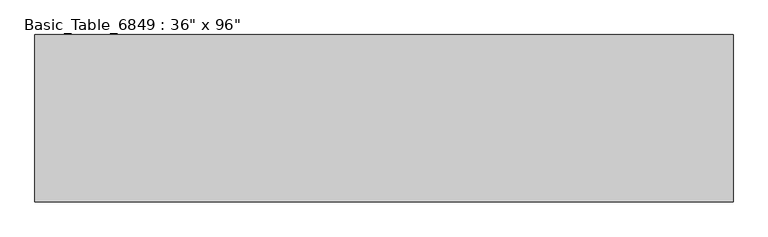
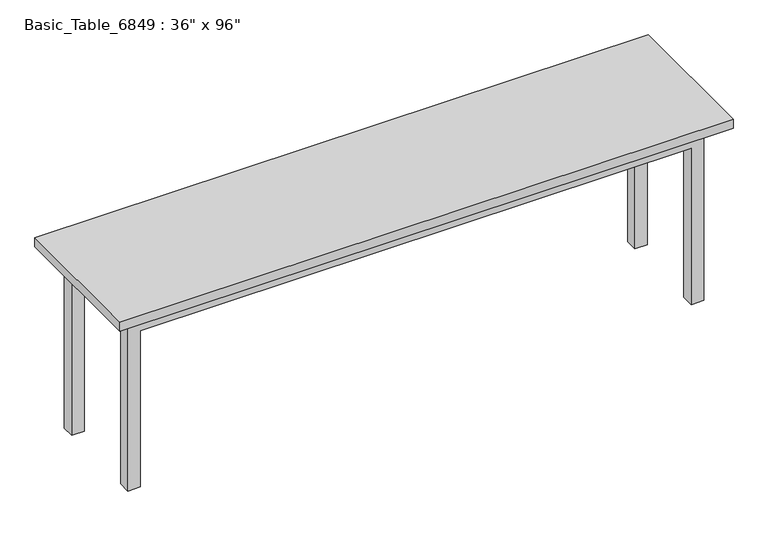
"""IFC4 building model written with IfcOpenShell, lengths in millimetres: proxy geometry."""

from ifc_helpers import new_model, si_unit, frame, origin, place, context, project, spatial, polyline, outline, extrude, faceted_brep, source, transform, mapped, element, save


def proxy_339538d2(model_context):
    return source(origin(), model_context, "Body", "SolidModel", [
        faceted_brep([(1173.8, -223.8, 762.0), (1173.8, 223.8, 762.0), (-1173.8, 223.8, 762.0), (-1173.8, -223.8, 762.0), (1123.0, -173.0, 762.0), (1123.0, -198.4, 762.0), (-1123.0, -198.4, 762.0), (-1123.0, -173.0, 762.0), (-1148.4, -173.0, 762.0), (-1148.4, 173.0, 762.0), (-1123.0, 173.0, 762.0), (-1123.0, 198.4, 762.0), (1123.0, 198.4, 762.0), (1123.0, 173.0, 762.0), (1148.4, 173.0, 762.0), (1148.4, -173.0, 762.0), (1123.0, -173.0, 0.0), (1173.8, -173.0, 0.0), (1173.8, -223.8, 0.0), (1123.0, -223.8, 0.0), (1123.0, -223.8, 673.1), (1123.0, -198.4, 673.1), (-1173.8, -223.8, 0.0), (-1123.0, -223.8, 0.0), (-1123.0, -223.8, 673.1), (1173.8, -173.0, 673.1), (1173.8, 173.0, 673.1), (1173.8, 173.0, 0.0), (1173.8, 223.8, 0.0), (1148.4, -173.0, 673.1), (-1123.0, -198.4, 673.1), (1148.4, 173.0, 673.1), (1123.0, 223.8, 0.0), (1123.0, 173.0, 0.0), (1123.0, 198.4, 673.1), (1123.0, 223.8, 673.1), (-1123.0, 223.8, 673.1), (-1123.0, 223.8, 0.0), (-1173.8, 223.8, 0.0), (-1123.0, 198.4, 673.1), (-1148.4, 173.0, 673.1), (-1148.4, -173.0, 673.1), (-1173.8, 173.0, 0.0), (-1173.8, 173.0, 673.1), (-1173.8, -173.0, 673.1), (-1173.8, -173.0, 0.0), (-1123.0, 173.0, 0.0), (-1123.0, -173.0, 0.0)], [[[0, 1, 2, 3], [4, 5, 6, 7, 8, 9, 10, 11, 12, 13, 14, 15]], [[16, 17, 18, 19]], [[16, 19, 20, 21, 5, 4]], [[19, 18, 0, 3, 22, 23, 24, 20]], [[18, 17, 25, 26, 27, 28, 1, 0]], [[17, 16, 4, 15, 29, 25]], [[5, 21, 30, 6]], [[21, 20, 24, 30]], [[29, 15, 14, 31]], [[25, 29, 31, 26]], [[32, 28, 27, 33]], [[32, 33, 13, 12, 34, 35]], [[33, 27, 26, 31, 14, 13]], [[28, 32, 35, 36, 37, 38, 2, 1]], [[34, 12, 11, 39]], [[35, 34, 39, 36]], [[40, 9, 8, 41]], [[38, 42, 43, 44, 45, 22, 3, 2]], [[43, 40, 41, 44]], [[38, 37, 46, 42]], [[42, 46, 10, 9, 40, 43]], [[46, 37, 36, 39, 11, 10]], [[45, 47, 23, 22]], [[23, 47, 7, 6, 30, 24]], [[47, 45, 44, 41, 8, 7]]]),
        extrude(outline(polyline([(-1250.0, -300.0), (-1250.0, 300.0), (1250.0, 300.0), (1250.0, -300.0), (-1250.0, -300.0)])), frame((0.0, 0.0, 762.0), z_axis=(0.0, 0.0, 1.0), x_axis=(1.0, 0.0, 0.0)), (0.0, 0.0, 1.0), 38.1),
    ])


if __name__ == "__main__":
    model = new_model("IFC4")
    model_context = context("Model", 3, world=origin())
    ifc_project = project(units=[si_unit("LENGTHUNIT", "METRE", prefix="MILLI")], contexts=[model_context])
    site = spatial("IfcSite", under=ifc_project)
    building = spatial("IfcBuilding", under=site)
    placement = place(None, origin())
    proxy_shape = proxy_339538d2(model_context)
    element("IfcBuildingElementProxy", 1, Name="Basic_Table_6849 : 36\" x 96\"", ObjectType="Basic_Table_6849 : 36\" x 96\"", at=placement, inside=building, context=model_context, shape_type="MappedRepresentation", body=[
        mapped(proxy_shape, transform((0.0, 0.0, 0.0), x_axis=(1.0, 0.0, 0.0), y_axis=(0.0, 1.0, 0.0), z_axis=(0.0, 0.0, 1.0))),
    ])
    save(model, "model.ifc")
